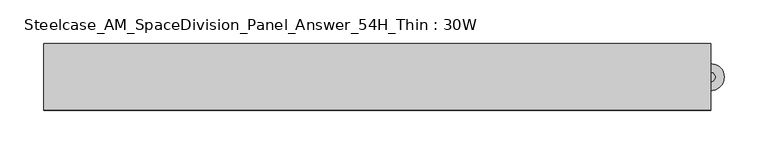
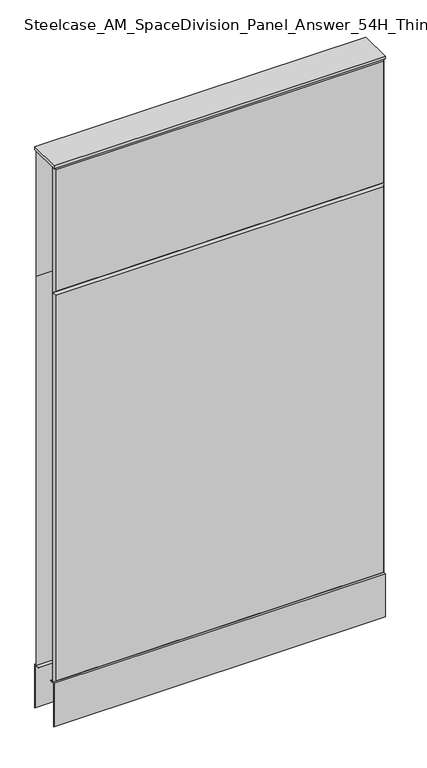
"""IFC4 building model written with IfcOpenShell, lengths in millimetres: furniture geometry, Steelcase_AM_SpaceDivision_Panel_Answer_54H_Thin : 30W."""

from ifc_helpers import new_model, si_unit, point, frame, frame_2d, origin, place, context, project, spatial, polyline, circle_curve, trimmed, segment, composite_curve, outline, extrude, faceted_brep, source, transform, mapped, element, save


def steelcase_am_spacedivision_panel_answer_54h_thin_30w_f323ab11(model_context):
    return source(origin(), model_context, "Body", "SolidModel", [
        extrude(outline(polyline([(37.3075215, 119.8575157), (25.4000011, 119.8575157), (25.4000011, 120.65), (38.1000194, 120.65), (38.1000194, 15.494), (37.3075215, 15.494), (37.3075215, 119.8575157)])), frame((-381.0, 0.0, 0.0), z_axis=(1.0, 0.0, 0.0), x_axis=(0.0, 1.0, 0.0)), (0.0, 0.0, 1.0), 762.0),
        extrude(outline(polyline([(-37.3075215, 119.8575157), (-37.3075215, 15.494), (-38.1000194, 15.494), (-38.1000194, 120.65), (-25.4000011, 120.65), (-25.4000011, 119.8575157), (-37.3075215, 119.8575157)])), frame((-381.0, 0.0, 0.0), z_axis=(1.0, 0.0, 0.0), x_axis=(0.0, 1.0, 0.0)), (0.0, 0.0, 1.0), 762.0),
        extrude(outline(composite_curve([segment(trimmed(circle_curve(frame_2d((381.0, -1.94e-05)), 5.08), [point((386.08, -1.94e-05))], [point((375.92, -1.94e-05))], False, "CARTESIAN"), True, "CONTINUOUS"), segment(trimmed(circle_curve(frame_2d((381.0, -1.94e-05)), 5.08), [point((375.92, -1.94e-05))], [point((386.08, -1.94e-05))], False, "CARTESIAN"), True, "CONTINUOUS")], self_intersect=False)), frame((0.0, 0.0, 5.0799671), z_axis=(0.0, 0.0, 1.0), x_axis=(1.0, 0.0, 0.0)), (0.0, 0.0, 1.0), 10.414),
        extrude(outline(composite_curve([segment(trimmed(circle_curve(frame_2d((381.0, -1.94e-05)), 15.24), [point((396.24, -1.94e-05))], [point((365.76, -1.94e-05))], False, "CARTESIAN"), True, "CONTINUOUS"), segment(trimmed(circle_curve(frame_2d((381.0, -1.94e-05)), 15.24), [point((365.76, -1.94e-05))], [point((396.24, -1.94e-05))], False, "CARTESIAN"), True, "CONTINUOUS")], self_intersect=False)), frame((0.0, 0.0, -3.29e-05), z_axis=(0.0, 0.0, 1.0), x_axis=(1.0, 0.0, 0.0)), (0.0, 0.0, 1.0), 5.08),
        faceted_brep([(-376.174, 38.0960552, 1366.774), (376.174, 38.0960552, 1366.774), (376.174, 38.0960552, 1071.626), (-376.174, 38.0960552, 1071.626), (-381.0, 33.2700552, 1371.6), (-381.0, 33.2700552, 1066.8), (381.0, 33.2700552, 1066.8), (381.0, 33.2700552, 1371.6)], [[[0, 1, 2, 3]], [[4, 5, 6, 7]], [[4, 7, 1, 0]], [[7, 6, 2, 1]], [[6, 5, 3, 2]], [[5, 4, 0, 3]]]),
        faceted_brep([(-376.174, 38.0960552, 1061.974), (376.174, 38.0960552, 1061.974), (376.174, 38.0960552, 125.476), (-376.174, 38.0960552, 125.476), (-381.0, 33.2700552, 1066.8), (-381.0, 33.2700552, 120.65), (381.0, 33.2700552, 120.65), (381.0, 33.2700552, 1066.8)], [[[0, 1, 2, 3]], [[4, 5, 6, 7]], [[4, 7, 1, 0]], [[7, 6, 2, 1]], [[6, 5, 3, 2]], [[5, 4, 0, 3]]]),
        faceted_brep([(376.174, -38.0960552, 1366.774), (-376.174, -38.0960552, 1366.774), (-376.174, -38.0960552, 1071.626), (376.174, -38.0960552, 1071.626), (381.0, -33.2700552, 1371.6), (381.0, -33.2700552, 1066.8), (-381.0, -33.2700552, 1066.8), (-381.0, -33.2700552, 1371.6)], [[[0, 1, 2, 3]], [[4, 5, 6, 7]], [[4, 7, 1, 0]], [[7, 6, 2, 1]], [[6, 5, 3, 2]], [[5, 4, 0, 3]]]),
        faceted_brep([(376.174, -38.0960552, 1061.974), (-376.174, -38.0960552, 1061.974), (-376.174, -38.0960552, 125.476), (376.174, -38.0960552, 125.476), (381.0, -33.2700552, 1066.8), (381.0, -33.2700552, 120.65), (-381.0, -33.2700552, 120.65), (-381.0, -33.2700552, 1066.8)], [[[0, 1, 2, 3]], [[4, 5, 6, 7]], [[4, 7, 1, 0]], [[7, 6, 2, 1]], [[6, 5, 3, 2]], [[5, 4, 0, 3]]]),
        extrude(outline(polyline([(381.0, 38.1000194), (381.0, -38.1000194), (-381.0, -38.1000194), (-381.0, 38.1000194), (381.0, 38.1000194)])), frame((0.0, 0.0, 1371.6), z_axis=(0.0, 0.0, 1.0), x_axis=(1.0, 0.0, 0.0)), (0.0, 0.0, 1.0), 6.35),
    ])


if __name__ == "__main__":
    model = new_model("IFC4")
    model_context = context("Model", 3, world=origin())
    ifc_project = project(units=[si_unit("LENGTHUNIT", "METRE", prefix="MILLI")], contexts=[model_context])
    site = spatial("IfcSite", under=ifc_project)
    building = spatial("IfcBuilding", under=site)
    placement = place(None, origin())
    steelcase_am_spacedivision_panel_answer_54h_thin_30w_shape = steelcase_am_spacedivision_panel_answer_54h_thin_30w_f323ab11(model_context)
    element("IfcFurniture", 1, ObjectType="Steelcase_AM_SpaceDivision_Panel_Answer_54H_Thin : 30W", at=placement, inside=building, context=model_context, shape_type="MappedRepresentation", body=[
        mapped(steelcase_am_spacedivision_panel_answer_54h_thin_30w_shape, transform((0.0, 0.0, 0.0), x_axis=(1.0, 0.0, 0.0), y_axis=(0.0, 1.0, 0.0), z_axis=(0.0, 0.0, 1.0))),
    ])
    save(model, "model.ifc")
